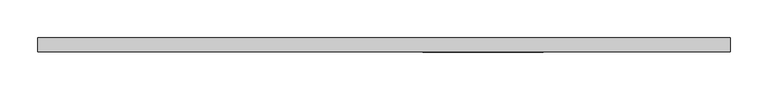
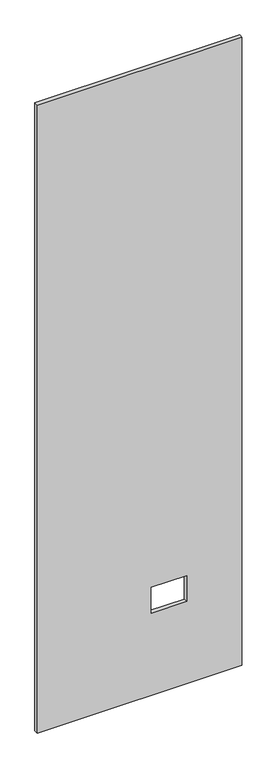
"""IFC4 building model written with IfcOpenShell, lengths in millimetres: proxy geometry."""

from ifc_helpers import new_model, si_unit, frame, origin, place, context, project, spatial, polyline, outline, extrude, source, transform, mapped, element, save


def specialty_equipment_13413e1d(model_context):
    return source(origin(), model_context, "Body", "SweptSolid", [
        extrude(outline(polyline([(2999.5368001, 461.6704), (2999.5368001, -461.6704), (3.175, -461.6704), (3.175, 461.6704), (2999.5368001, 461.6704)]), holes=[polyline([(518.9474, 211.8868), (395.4526, 211.8868), (395.4526, 51.3588), (518.9474, 51.3588), (518.9474, 211.8868)])]), frame((0.0, -9.525, 0.0), z_axis=(0.0, 1.0, 0.0), x_axis=(0.0, 0.0, 1.0)), (0.0, 0.0, 1.0), 19.05),
    ])


if __name__ == "__main__":
    model = new_model("IFC4")
    model_context = context("Model", 3, world=origin())
    ifc_project = project(units=[si_unit("LENGTHUNIT", "METRE", prefix="MILLI")], contexts=[model_context])
    site = spatial("IfcSite", under=ifc_project)
    building = spatial("IfcBuilding", under=site)
    placement = place(None, origin())
    specialty_equipment_shape = specialty_equipment_13413e1d(model_context)
    element("IfcBuildingElementProxy", 1, Name="Specialty Equipment", at=placement, inside=building, context=model_context, shape_type="MappedRepresentation", body=[
        mapped(specialty_equipment_shape, transform((0.0, 0.0, 0.0), x_axis=(1.0, 0.0, 0.0), y_axis=(0.0, 1.0, 0.0), z_axis=(0.0, 0.0, 1.0))),
    ])
    save(model, "model.ifc")
